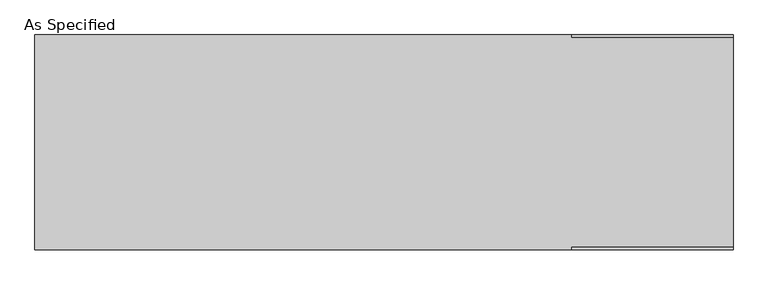
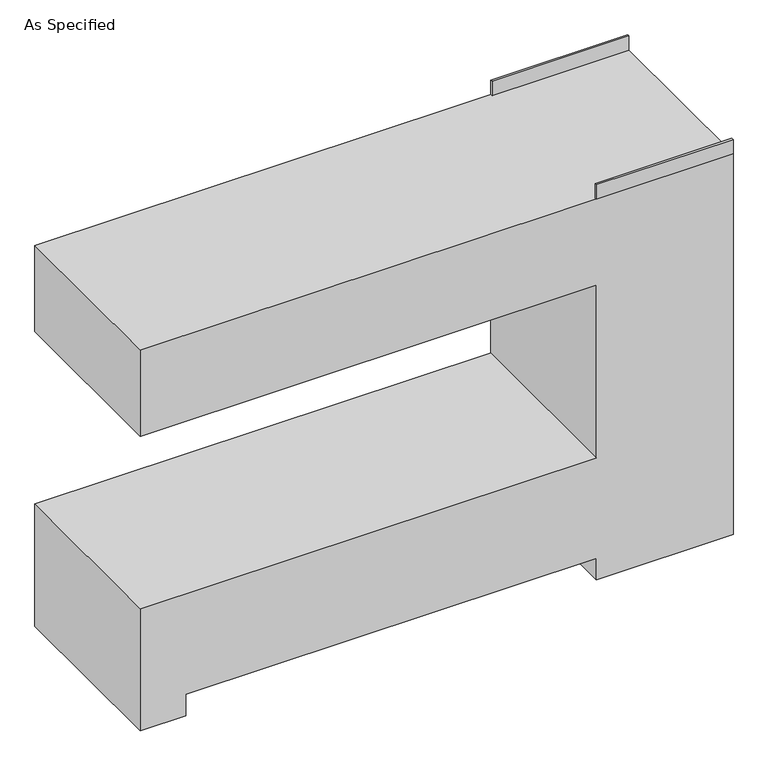
"""IFC4 building model written with IfcOpenShell, lengths in millimetres: proxy geometry, As Specified."""

from ifc_helpers import new_model, si_unit, frame, origin, place, context, project, spatial, polyline, outline, extrude, source, transform, mapped, element, save


def as_specified_b91392b2(model_context):
    return source(origin(), model_context, "Body", "SweptSolid", [
        extrude(outline(polyline([(533.4, 298.45), (533.4, 304.8), (990.6, 304.8), (990.6, 298.45), (533.4, 298.45)])), frame((0.0, 0.0, 1346.2), z_axis=(0.0, 0.0, 1.0), x_axis=(1.0, 0.0, 0.0)), (0.0, 0.0, 1.0), 50.8),
        extrude(outline(polyline([(533.4, -304.8), (533.4, -298.45), (990.6, -298.45), (990.6, -304.8), (533.4, -304.8)])), frame((0.0, 0.0, 1346.2), z_axis=(0.0, 0.0, 1.0), x_axis=(1.0, 0.0, 0.0)), (0.0, 0.0, 1.0), 50.8),
        extrude(outline(polyline([(1346.2, 990.6), (1346.2, -990.6), (1041.4, -990.6), (1041.4, 533.4), (431.8, 533.4), (431.8, -990.6), (0.0, -990.6), (0.0, -838.2), (76.2, -838.2), (76.2, 533.4), (0.0, 533.4), (0.0, 990.6), (1346.2, 990.6)])), frame((0.0, -304.8, 0.0), z_axis=(0.0, 1.0, 0.0), x_axis=(0.0, 0.0, 1.0)), (0.0, 0.0, 1.0), 609.6),
    ])


if __name__ == "__main__":
    model = new_model("IFC4")
    model_context = context("Model", 3, world=origin())
    ifc_project = project(units=[si_unit("LENGTHUNIT", "METRE", prefix="MILLI")], contexts=[model_context])
    site = spatial("IfcSite", under=ifc_project)
    building = spatial("IfcBuilding", under=site)
    placement = place(None, origin())
    as_specified_shape = as_specified_b91392b2(model_context)
    element("IfcBuildingElementProxy", 1, Name="As Specified", ObjectType="As Specified", at=placement, inside=building, context=model_context, shape_type="MappedRepresentation", body=[
        mapped(as_specified_shape, transform((0.0, 0.0, 0.0), x_axis=(1.0, 0.0, 0.0), y_axis=(0.0, 1.0, 0.0), z_axis=(0.0, 0.0, 1.0))),
    ])
    save(model, "model.ifc")
